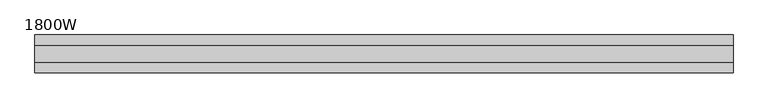
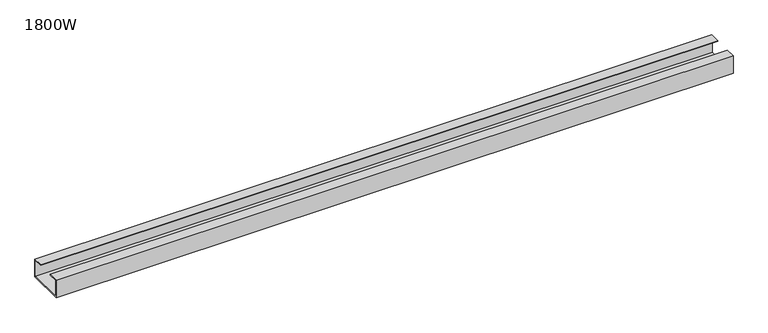
"""IFC4 building model written with IfcOpenShell, lengths in millimetres: furniture geometry, 1800W."""

from ifc_helpers import new_model, si_unit, frame, origin, place, context, project, spatial, polyline, outline, extrude, source, transform, mapped, element, save


def furniture_1800w_b29d344d(model_context):
    return source(origin(), model_context, "Body", "SweptSolid", [
        extrude(outline(polyline([(47.3, 665.0), (-47.3, 665.0), (-47.3, 713.0), (-22.0, 713.0), (-22.0, 711.0), (-45.3, 711.0), (-45.3, 667.0), (45.3, 667.0), (45.3, 711.0), (22.0, 711.0), (22.0, 713.0), (47.3, 713.0), (47.3, 665.0)])), frame((-875.0, 0.0, 0.0), z_axis=(1.0, 0.0, 0.0), x_axis=(0.0, 1.0, 0.0)), (0.0, 0.0, 1.0), 1750.0),
    ])


if __name__ == "__main__":
    model = new_model("IFC4")
    model_context = context("Model", 3, world=origin())
    ifc_project = project(units=[si_unit("LENGTHUNIT", "METRE", prefix="MILLI")], contexts=[model_context])
    site = spatial("IfcSite", under=ifc_project)
    building = spatial("IfcBuilding", under=site)
    placement = place(None, origin())
    furniture_1800w_shape = furniture_1800w_b29d344d(model_context)
    element("IfcFurniture", 1, ObjectType="1800W", at=placement, inside=building, context=model_context, shape_type="MappedRepresentation", body=[
        mapped(furniture_1800w_shape, transform((0.0, 0.0, 0.0), x_axis=(1.0, 0.0, 0.0), y_axis=(0.0, 1.0, 0.0), z_axis=(0.0, 0.0, 1.0))),
    ])
    save(model, "model.ifc")
